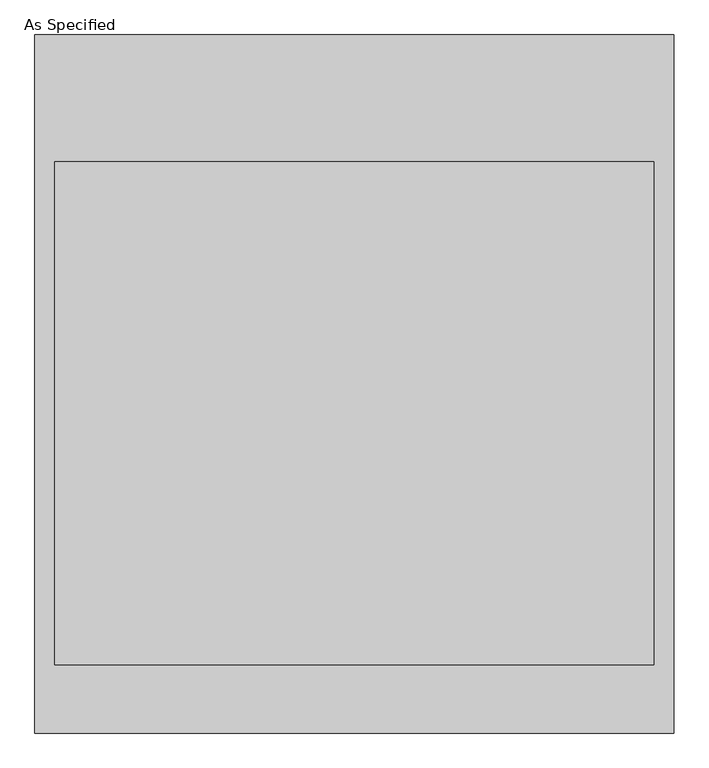
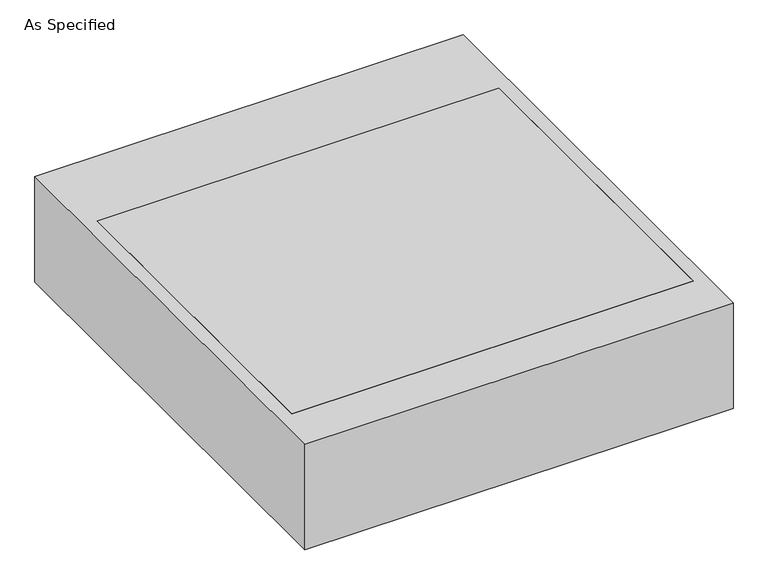
"""IFC4 building model written with IfcOpenShell, lengths in millimetres: proxy geometry, As Specified."""

from ifc_helpers import new_model, si_unit, frame, origin, place, context, project, spatial, polyline, outline, extrude, source, transform, mapped, element, save


def as_specified_8f573977(model_context):
    return source(origin(), model_context, "Body", "SweptSolid", [
        extrude(outline(polyline([(968.375, 1057.275), (968.375, -1057.275), (-968.375, -1057.275), (-968.375, 1057.275), (968.375, 1057.275)]), holes=[polyline([(908.05, 673.1), (-908.05, 673.1), (-908.05, -850.9), (908.05, -850.9), (908.05, 673.1)])]), frame((0.0, 0.0, -530.225), z_axis=(0.0, 0.0, 1.0), x_axis=(1.0, 0.0, 0.0)), (0.0, 0.0, 1.0), 504.825),
        extrude(outline(polyline([(908.05, 673.1), (908.05, -850.9), (-908.05, -850.9), (-908.05, 673.1), (908.05, 673.1)])), frame((0.0, 0.0, -530.225), z_axis=(0.0, 0.0, 1.0), x_axis=(1.0, 0.0, 0.0)), (0.0, 0.0, 1.0), 504.825),
    ])


if __name__ == "__main__":
    model = new_model("IFC4")
    model_context = context("Model", 3, world=origin())
    ifc_project = project(units=[si_unit("LENGTHUNIT", "METRE", prefix="MILLI")], contexts=[model_context])
    site = spatial("IfcSite", under=ifc_project)
    building = spatial("IfcBuilding", under=site)
    placement = place(None, origin())
    as_specified_shape = as_specified_8f573977(model_context)
    element("IfcBuildingElementProxy", 1, Name="As Specified", ObjectType="As Specified", at=placement, inside=building, context=model_context, shape_type="MappedRepresentation", body=[
        mapped(as_specified_shape, transform((0.0, 0.0, 0.0), x_axis=(1.0, 0.0, 0.0), y_axis=(0.0, 1.0, 0.0), z_axis=(0.0, 0.0, 1.0))),
    ])
    save(model, "model.ifc")
